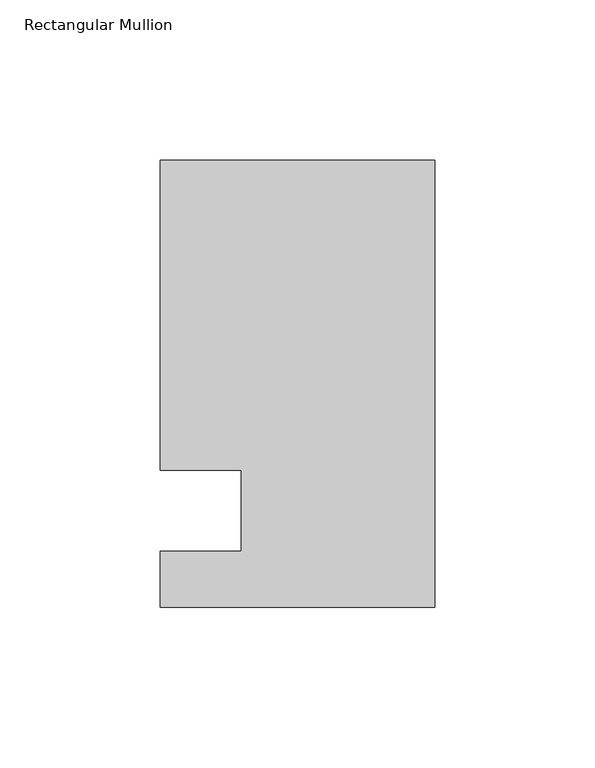
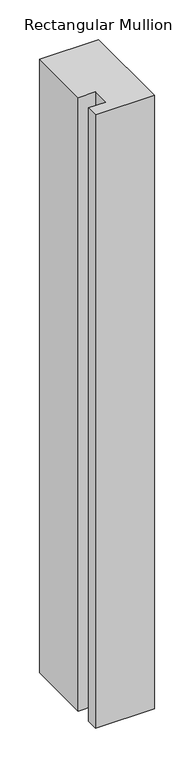
"""IFC4 building model written with IfcOpenShell, lengths in millimetres: member geometry, Rectangular Mullion."""

from ifc_helpers import new_model, si_unit, frame, origin, place, context, project, spatial, polyline, outline, extrude, source, transform, mapped, element, save


def rectangular_mullion_0bf92de1(model_context):
    return source(origin(), model_context, "Body", "SweptSolid", [
        extrude(outline(polyline([(-85.725, 109.5375), (0.0, 109.5375), (0.0, -30.1625), (-85.725, -30.1625), (-85.725, -12.7), (-60.325, -12.7), (-60.325, 12.7), (-85.725, 12.7), (-85.725, 109.5375)])), frame((0.0, 0.0, -939.8), z_axis=(0.0, 0.0, 1.0), x_axis=(1.0, 0.0, 0.0)), (0.0, 0.0, 1.0), 939.8),
    ])


if __name__ == "__main__":
    model = new_model("IFC4")
    model_context = context("Model", 3, world=origin())
    ifc_project = project(units=[si_unit("LENGTHUNIT", "METRE", prefix="MILLI")], contexts=[model_context])
    site = spatial("IfcSite", under=ifc_project)
    building = spatial("IfcBuilding", under=site)
    placement = place(None, origin())
    rectangular_mullion_shape = rectangular_mullion_0bf92de1(model_context)
    element("IfcMember", 1, ObjectType="Rectangular Mullion", at=placement, inside=building, context=model_context, shape_type="MappedRepresentation", body=[
        mapped(rectangular_mullion_shape, transform((0.0, 0.0, 0.0), x_axis=(1.0, 0.0, 0.0), y_axis=(0.0, 1.0, 0.0), z_axis=(0.0, 0.0, 1.0))),
    ])
    save(model, "model.ifc")
